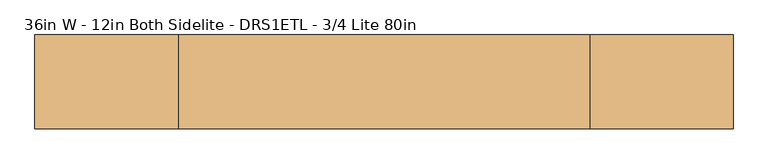
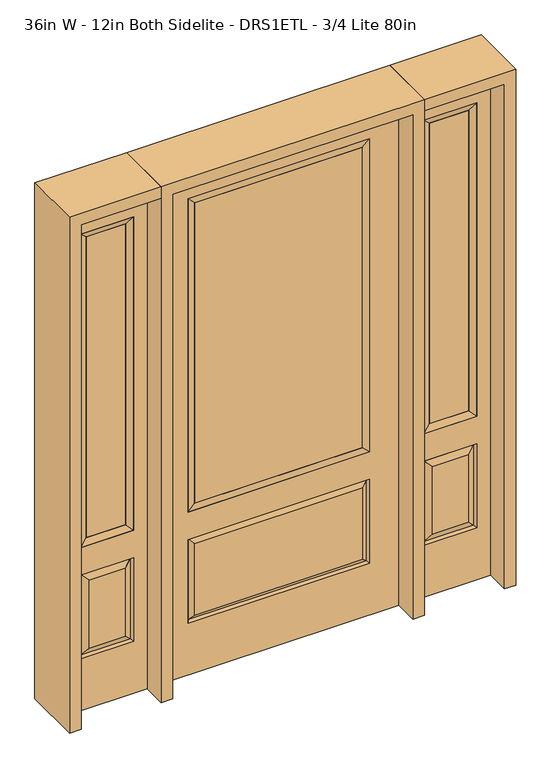
"""IFC4 building model written with IfcOpenShell, lengths in millimetres: door geometry, 36in W - 12in Both Sidelite - DRS1ETL - 3/4 Lite 80in."""

from ifc_helpers import new_model, si_unit, frame, origin, place, context, project, spatial, polyline, outline, extrude, faceted_brep, source, transform, mapped, element, save


def door_36in_w_12in_both_sidelite_drs1etl_3_4_lite_80in_77c669ce(model_context):
    return source(origin(), model_context, "Body", "SolidModel", [
        faceted_brep([(501.65, -22.225, 0.0), (806.45, -22.225, 0.0), (806.45, -22.225, 2032.0), (501.65, -22.225, 2032.0), (754.38, -22.225, 1919.224), (754.38, -22.225, 657.098), (553.72, -22.225, 657.098), (553.72, -22.225, 1919.224), (754.38, -22.225, 209.55), (553.72, -22.225, 209.55), (553.72, -22.225, 546.1), (754.38, -22.225, 546.1), (585.4351001, -22.225, 241.2651001), (722.6648999, -22.225, 241.2651001), (722.6648999, -22.225, 514.3848999), (585.4351001, -22.225, 514.3848999), (501.65, 22.225, 0.0), (501.65, 22.225, 2032.0), (806.45, 22.225, 2032.0), (806.45, 22.225, 0.0), (754.38, 22.225, 1919.224), (553.72, 22.225, 1919.224), (553.72, 22.225, 657.098), (754.38, 22.225, 657.098), (553.72, 22.225, 209.55), (754.38, 22.225, 209.55), (754.38, 22.225, 546.1), (553.72, 22.225, 546.1), (722.6648999, 22.225, 241.2651001), (585.4351001, 22.225, 241.2651001), (585.4351001, 22.225, 514.3848999), (722.6648999, 22.225, 514.3848999), (747.2711499, 12.7912373, 216.6588501), (560.8288501, 12.7912373, 216.6588501), (560.8288501, 12.7912373, 538.9911499), (747.2711499, 12.7912373, 538.9911499), (560.8288501, -12.7912373, 216.6588501), (747.2711499, -12.7912373, 216.6588501), (560.8288501, -12.7912373, 538.9911499), (747.2711499, -12.7912373, 538.9911499)], [[[0, 1, 2, 3], [4, 5, 6, 7], [8, 9, 10, 11]], [[12, 13, 14, 15]], [[16, 17, 18, 19], [20, 21, 22, 23], [24, 25, 26, 27]], [[28, 29, 30, 31]], [[1, 0, 16, 19]], [[2, 1, 19, 18]], [[3, 2, 18, 17]], [[0, 3, 17, 16]], [[5, 4, 20, 23]], [[6, 5, 23, 22]], [[7, 6, 22, 21]], [[4, 7, 21, 20]], [[32, 33, 29, 28]], [[33, 32, 25, 24]], [[29, 33, 34, 30]], [[33, 24, 27, 34]], [[30, 34, 35, 31]], [[34, 27, 26, 35]], [[32, 28, 31, 35]], [[25, 32, 35, 26]], [[12, 36, 37, 13]], [[37, 36, 9, 8]], [[36, 12, 15, 38]], [[9, 36, 38, 10]], [[38, 15, 14, 39]], [[10, 38, 39, 11]], [[13, 37, 39, 14]], [[37, 8, 11, 39]]]),
        faceted_brep([(553.72, 22.225, 1919.224), (553.72, -22.225, 1919.224), (754.38, -22.225, 1919.224), (754.38, 22.225, 1919.224), (579.12, 12.7, 1893.824), (728.98, 12.7, 1893.824), (579.12, -12.7, 1893.824), (728.98, -12.7, 1893.824), (754.38, -22.225, 657.098), (754.38, 22.225, 657.098), (728.98, 12.7, 682.498), (728.98, -12.7, 682.498), (553.72, -22.225, 657.098), (553.72, 22.225, 657.098), (579.12, 12.7, 682.498), (579.12, -12.7, 682.498)], [[[0, 1, 2, 3]], [[4, 0, 3, 5]], [[6, 4, 5, 7]], [[1, 6, 7, 2]], [[3, 2, 8, 9]], [[5, 3, 9, 10]], [[7, 5, 10, 11]], [[2, 7, 11, 8]], [[9, 8, 12, 13]], [[10, 9, 13, 14]], [[11, 10, 14, 15]], [[8, 11, 15, 12]], [[13, 12, 1, 0]], [[14, 13, 0, 4]], [[15, 14, 4, 6]], [[12, 15, 6, 1]]]),
        extrude(outline(polyline([(728.98, -12.7), (579.12, -12.7), (579.12, 12.7), (728.98, 12.7), (728.98, -12.7)])), frame((0.0, 0.0, 682.498), z_axis=(0.0, 0.0, 1.0), x_axis=(1.0, 0.0, 0.0)), (0.0, 0.0, 1.0), 1211.326),
        faceted_brep([(-806.45, -22.225, 0.0), (-501.65, -22.225, 0.0), (-501.65, -22.225, 2032.0), (-806.45, -22.225, 2032.0), (-553.72, -22.225, 1919.224), (-553.72, -22.225, 657.098), (-754.38, -22.225, 657.098), (-754.38, -22.225, 1919.224), (-553.72, -22.225, 209.55), (-754.38, -22.225, 209.55), (-754.38, -22.225, 546.1), (-553.72, -22.225, 546.1), (-722.6648999, -22.225, 241.2651001), (-585.4351001, -22.225, 241.2651001), (-585.4351001, -22.225, 514.3848999), (-722.6648999, -22.225, 514.3848999), (-806.45, 22.225, 0.0), (-806.45, 22.225, 2032.0), (-501.65, 22.225, 2032.0), (-501.65, 22.225, 0.0), (-553.72, 22.225, 1919.224), (-754.38, 22.225, 1919.224), (-754.38, 22.225, 657.098), (-553.72, 22.225, 657.098), (-754.38, 22.225, 209.55), (-553.72, 22.225, 209.55), (-553.72, 22.225, 546.1), (-754.38, 22.225, 546.1), (-585.4351001, 22.225, 241.2651001), (-722.6648999, 22.225, 241.2651001), (-722.6648999, 22.225, 514.3848999), (-585.4351001, 22.225, 514.3848999), (-560.8288501, 12.7912373, 216.6588501), (-747.2711499, 12.7912373, 216.6588501), (-747.2711499, 12.7912373, 538.9911499), (-560.8288501, 12.7912373, 538.9911499), (-747.2711499, -12.7912373, 216.6588501), (-560.8288501, -12.7912373, 216.6588501), (-747.2711499, -12.7912373, 538.9911499), (-560.8288501, -12.7912373, 538.9911499)], [[[0, 1, 2, 3], [4, 5, 6, 7], [8, 9, 10, 11]], [[12, 13, 14, 15]], [[16, 17, 18, 19], [20, 21, 22, 23], [24, 25, 26, 27]], [[28, 29, 30, 31]], [[1, 0, 16, 19]], [[2, 1, 19, 18]], [[3, 2, 18, 17]], [[0, 3, 17, 16]], [[5, 4, 20, 23]], [[6, 5, 23, 22]], [[7, 6, 22, 21]], [[4, 7, 21, 20]], [[32, 33, 29, 28]], [[33, 32, 25, 24]], [[29, 33, 34, 30]], [[33, 24, 27, 34]], [[30, 34, 35, 31]], [[34, 27, 26, 35]], [[32, 28, 31, 35]], [[25, 32, 35, 26]], [[12, 36, 37, 13]], [[37, 36, 9, 8]], [[36, 12, 15, 38]], [[9, 36, 38, 10]], [[38, 15, 14, 39]], [[10, 38, 39, 11]], [[13, 37, 39, 14]], [[37, 8, 11, 39]]]),
        faceted_brep([(-754.38, 22.225, 1919.224), (-754.38, -22.225, 1919.224), (-553.72, -22.225, 1919.224), (-553.72, 22.225, 1919.224), (-728.98, 12.7, 1893.824), (-579.12, 12.7, 1893.824), (-728.98, -12.7, 1893.824), (-579.12, -12.7, 1893.824), (-553.72, -22.225, 657.098), (-553.72, 22.225, 657.098), (-579.12, 12.7, 682.498), (-579.12, -12.7, 682.498), (-754.38, -22.225, 657.098), (-754.38, 22.225, 657.098), (-728.98, 12.7, 682.498), (-728.98, -12.7, 682.498)], [[[0, 1, 2, 3]], [[4, 0, 3, 5]], [[6, 4, 5, 7]], [[1, 6, 7, 2]], [[3, 2, 8, 9]], [[5, 3, 9, 10]], [[7, 5, 10, 11]], [[2, 7, 11, 8]], [[9, 8, 12, 13]], [[10, 9, 13, 14]], [[11, 10, 14, 15]], [[8, 11, 15, 12]], [[13, 12, 1, 0]], [[14, 13, 0, 4]], [[15, 14, 4, 6]], [[12, 15, 6, 1]]]),
        extrude(outline(polyline([(-579.12, -12.7), (-728.98, -12.7), (-728.98, 12.7), (-579.12, 12.7), (-579.12, -12.7)])), frame((0.0, 0.0, 682.498), z_axis=(0.0, 0.0, 1.0), x_axis=(1.0, 0.0, 0.0)), (0.0, 0.0, 1.0), 1211.326),
        faceted_brep([(-338.9661499, -12.7912373, 216.6588501), (338.9661499, -12.7912373, 216.6588501), (321.46875, -22.225, 234.15625), (-321.46875, -22.225, 234.15625), (-346.075, -22.225, 209.55), (346.075, -22.225, 209.55), (-338.9661499, -12.7912373, 538.9911499), (-346.075, -22.225, 546.1), (321.46875, -22.225, 521.49375), (-321.46875, -22.225, 521.49375), (457.2, -22.225, 2032.0), (-457.2, -22.225, 2032.0), (-457.2, -22.225, 0.0), (457.2, -22.225, 0.0), (346.075, -22.225, 546.1), (346.075, -22.225, 1917.7), (346.075, -22.225, 657.098), (-346.075, -22.225, 657.098), (-346.075, -22.225, 1917.7), (338.9661499, -12.7912373, 538.9911499), (-457.2, 22.225, 2032.0), (-457.2, 22.225, 0.0), (457.2, 22.225, 0.0), (457.2, 22.225, 2032.0), (346.075, 22.225, 1917.7), (346.075, 22.225, 657.098), (-346.075, 22.225, 657.098), (-346.075, 22.225, 1917.7), (-346.075, 22.225, 209.55), (346.075, 22.225, 209.55), (346.075, 22.225, 546.1), (-346.075, 22.225, 546.1), (321.46875, 22.225, 234.15625), (-321.46875, 22.225, 234.15625), (-321.46875, 22.225, 521.49375), (321.46875, 22.225, 521.49375), (-338.9661499, 12.7912373, 216.6588501), (338.9661499, 12.7912373, 216.6588501), (338.9661499, 12.7912373, 538.9911499), (-338.9661499, 12.7912373, 538.9911499)], [[[0, 1, 2, 3]], [[1, 0, 4, 5]], [[4, 0, 6, 7]], [[3, 2, 8, 9]], [[10, 11, 12, 13], [5, 4, 7, 14], [15, 16, 17, 18]], [[1, 5, 14, 19]], [[2, 1, 19, 8]], [[0, 3, 9, 6]], [[7, 6, 19, 14]], [[6, 9, 8, 19]], [[12, 11, 20, 21]], [[13, 12, 21, 22]], [[10, 13, 22, 23]], [[16, 15, 24, 25]], [[17, 16, 25, 26]], [[18, 17, 26, 27]], [[23, 22, 21, 20], [28, 29, 30, 31], [24, 27, 26, 25]], [[32, 33, 34, 35]], [[28, 36, 37, 29]], [[29, 37, 38, 30]], [[39, 31, 30, 38]], [[36, 28, 31, 39]], [[37, 36, 33, 32]], [[33, 36, 39, 34]], [[34, 39, 38, 35]], [[37, 32, 35, 38]], [[11, 10, 23, 20]], [[15, 18, 27, 24]]]),
        faceted_brep([(-346.075, -22.225, 1917.7), (-346.075, 22.225, 1917.7), (-346.075, 22.225, 657.098), (-346.075, -22.225, 657.098), (346.075, 22.225, 657.098), (346.075, -22.225, 657.098), (-320.675, 5.08, 682.498), (320.675, 5.08, 682.498), (346.075, 22.225, 1917.7), (346.075, -22.225, 1917.7), (-320.675, -20.32, 682.498), (320.675, -20.32, 682.498), (-320.675, -20.32, 1892.3), (320.675, -20.32, 1892.3), (-320.675, 5.08, 1892.3), (320.675, 5.08, 1892.3)], [[[0, 1, 2, 3]], [[3, 2, 4, 5]], [[2, 6, 7, 4]], [[5, 4, 8, 9]], [[10, 3, 5, 11]], [[12, 0, 3, 10]], [[11, 5, 9, 13]], [[6, 10, 11, 7]], [[14, 12, 10, 6]], [[7, 11, 13, 15]], [[1, 14, 6, 2]], [[4, 7, 15, 8]], [[9, 8, 1, 0]], [[13, 9, 0, 12]], [[15, 13, 12, 14]], [[8, 15, 14, 1]]]),
        extrude(outline(polyline([(320.675, -20.32), (-320.675, -20.32), (-320.675, 5.08), (320.675, 5.08), (320.675, -20.32)])), frame((0.0, 0.0, 682.498), z_axis=(0.0, 0.0, 1.0), x_axis=(1.0, 0.0, 0.0)), (0.0, 0.0, 1.0), 1209.802),
        extrude(outline(polyline([(2032.0, -501.65), (2076.45, -501.65), (2076.45, -850.9), (0.0, -850.9), (0.0, -806.45), (2032.0, -806.45), (2032.0, -501.65)])), frame((0.0, -114.3, 0.0), z_axis=(0.0, 1.0, 0.0), x_axis=(0.0, 0.0, 1.0)), (0.0, 0.0, 1.0), 228.6),
        extrude(outline(polyline([(2076.45, -501.65), (0.0, -501.65), (0.0, -457.2), (2032.0, -457.2), (2032.0, 457.2), (0.0, 457.2), (0.0, 501.65), (2076.45, 501.65), (2076.45, -501.65)])), frame((0.0, -114.3, 0.0), z_axis=(0.0, 1.0, 0.0), x_axis=(0.0, 0.0, 1.0)), (0.0, 0.0, 1.0), 228.6),
        extrude(outline(polyline([(0.0, 806.45), (0.0, 850.9), (2076.45, 850.9), (2076.45, 501.65), (2032.0, 501.65), (2032.0, 806.45), (0.0, 806.45)])), frame((0.0, -114.3, 0.0), z_axis=(0.0, 1.0, 0.0), x_axis=(0.0, 0.0, 1.0)), (0.0, 0.0, 1.0), 228.6),
    ])


if __name__ == "__main__":
    model = new_model("IFC4")
    model_context = context("Model", 3, world=origin())
    ifc_project = project(units=[si_unit("LENGTHUNIT", "METRE", prefix="MILLI")], contexts=[model_context])
    site = spatial("IfcSite", under=ifc_project)
    building = spatial("IfcBuilding", under=site)
    placement = place(None, origin())
    door_36in_w_12in_both_sidelite_drs1etl_3_4_lite_80in_shape = door_36in_w_12in_both_sidelite_drs1etl_3_4_lite_80in_77c669ce(model_context)
    element("IfcDoor", 1, ObjectType="36in W - 12in Both Sidelite - DRS1ETL - 3/4 Lite 80in", at=placement, inside=building, context=model_context, shape_type="MappedRepresentation", body=[
        mapped(door_36in_w_12in_both_sidelite_drs1etl_3_4_lite_80in_shape, transform((0.0, 0.0, 0.0), x_axis=(1.0, 0.0, 0.0), y_axis=(0.0, 1.0, 0.0), z_axis=(0.0, 0.0, 1.0))),
    ])
    save(model, "model.ifc")
